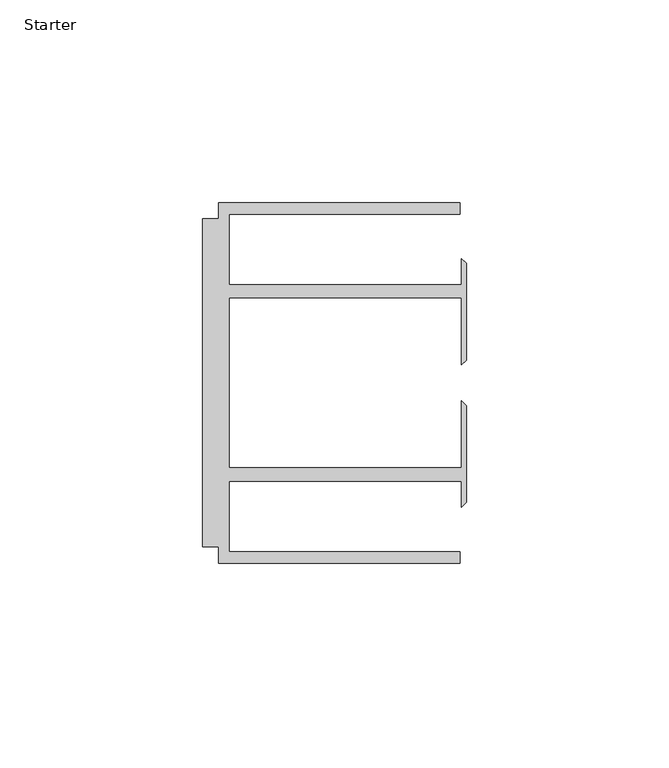
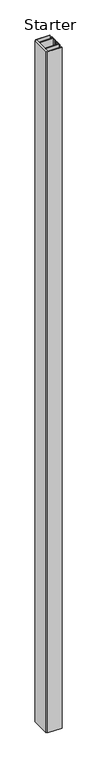
"""IFC4 building model written with IfcOpenShell, lengths in millimetres: furniture geometry, Starter."""

from ifc_helpers import new_model, si_unit, origin, origin_with_axes, place, context, project, spatial, polyline, outline, extrude, source, transform, mapped, element, save


def starter_13b07b0b(model_context):
    return source(origin(), model_context, "Body", "SweptSolid", [
        extrude(outline(polyline([(33.9771533, 59.951805), (93.4771531, 59.951805), (93.4771531, 57.1518064), (36.5771534, 57.1518064), (36.5771534, 39.7518058), (93.9195633, 39.7518058), (93.9195633, 46.1177636), (95.0646531, 44.9726737), (95.0646531, 21.086411), (93.9195633, 19.9413211), (93.9195633, 36.4518057), (36.5771534, 36.4518057), (36.5771534, -5.4481956), (93.9195633, -5.4481956), (93.9195633, 11.062289), (95.0646531, 9.9171991), (95.0646531, -13.9690637), (93.9195633, -15.1141535), (93.9195633, -8.7481957), (36.5771534, -8.7481957), (36.5771534, -26.1481963), (93.4771531, -26.1481963), (93.4771531, -28.948195), (33.9771533, -28.948195), (33.9771533, -24.9481962), (29.9771531, -24.9481962), (29.9771531, 55.9518063), (33.9771533, 55.9518063), (33.9771533, 59.951805)])), origin_with_axes(), (0.0, 0.0, 1.0), 3048.0),
    ])


if __name__ == "__main__":
    model = new_model("IFC4")
    model_context = context("Model", 3, world=origin())
    ifc_project = project(units=[si_unit("LENGTHUNIT", "METRE", prefix="MILLI")], contexts=[model_context])
    site = spatial("IfcSite", under=ifc_project)
    building = spatial("IfcBuilding", under=site)
    placement = place(None, origin())
    starter_shape = starter_13b07b0b(model_context)
    element("IfcFurniture", 1, ObjectType="Starter", at=placement, inside=building, context=model_context, shape_type="MappedRepresentation", body=[
        mapped(starter_shape, transform((0.0, 0.0, 0.0), x_axis=(1.0, 0.0, 0.0), y_axis=(0.0, 1.0, 0.0), z_axis=(0.0, 0.0, 1.0))),
    ])
    save(model, "model.ifc")
